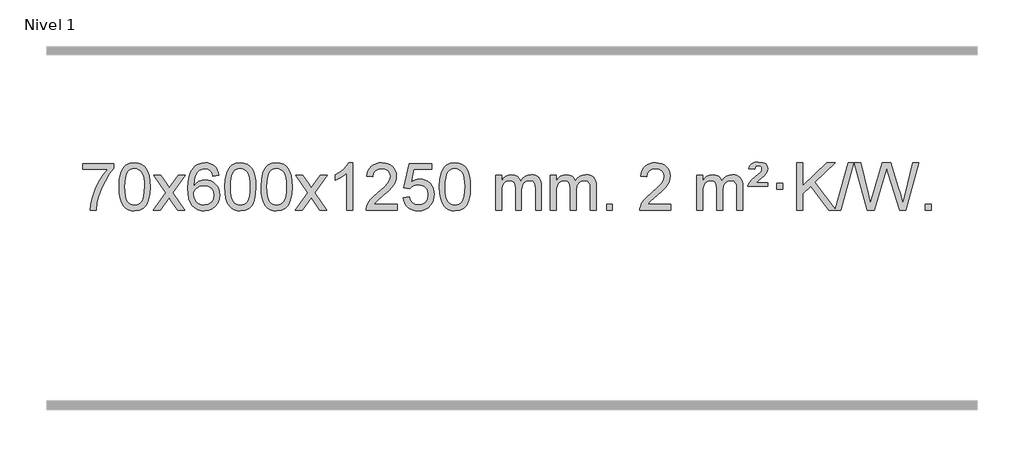
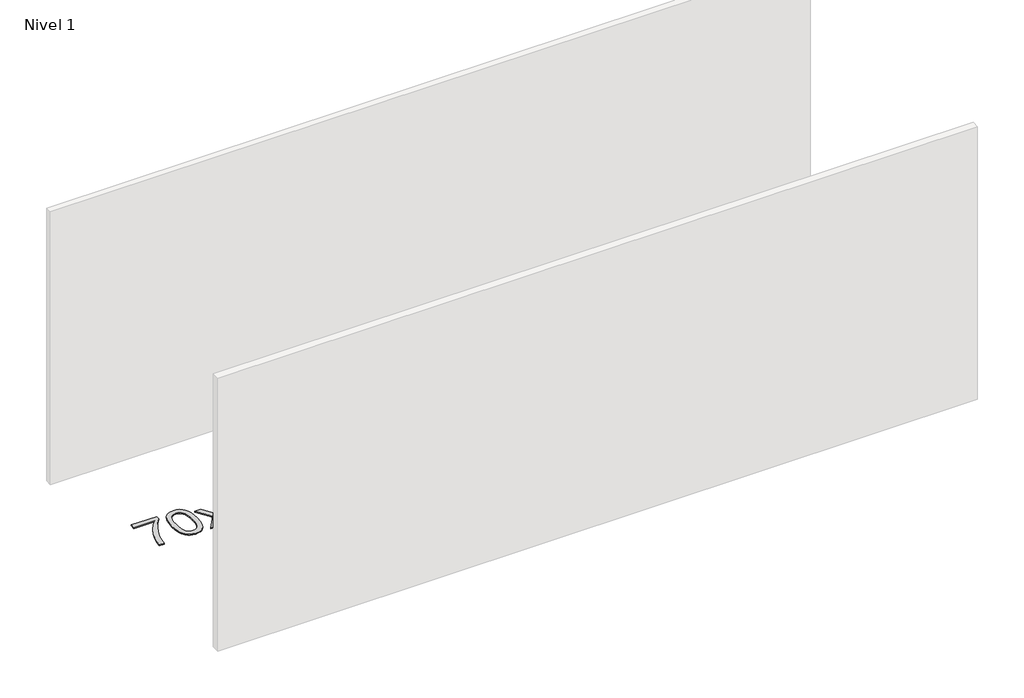
# One storey, part 9 of 12: 1 proxy.
"""IFC4 building model written with IfcOpenShell, lengths in millimetres."""

from ifc_helpers import new_model, si_unit, origin, origin_with_axes, place, context, project, spatial, polyline, outline, extrude, element, save

model = new_model("IFC4")

# Units and contexts
model_context = context("Model", 3, world=origin())
ifc_project = project(units=[si_unit("LENGTHUNIT", "METRE", prefix="MILLI")], contexts=[model_context])

# Site, building, storey
site = spatial("IfcSite", under=ifc_project)
building = spatial("IfcBuilding", under=site)
storey = spatial("IfcBuildingStorey", under=building, Name="Nivel 1", Elevation=0.0)

# Proxy
placement = place(None, origin())
element("IfcBuildingElementProxy", 1, Name="Texto de modelo 1", ObjectType="Texto de modelo 1", at=placement, inside=storey, context=model_context, shape_type="SweptSolid", body=[
    extrude(outline(polyline([(-6223.8644932, -6050.2608869), (-6223.8644932, -6000.0327318), (-5960.1666791, -6000.0327318), (-5960.1666791, -6040.646904), (-5997.7519563, -6088.214046), (-6034.9693515, -6148.7061088), (-6067.7966882, -6216.6048623), (-6092.2117899, -6286.3920768), (-6104.1802175, -6338.6067947), (-6110.8511443, -6395.579453), (-6161.0792994, -6395.579453), (-6155.6469086, -6343.8061935), (-6141.1155698, -6282.2717985), (-6117.8776904, -6217.0463207), (-6086.325678, -6154.1998132), (-6049.4884275, -6097.3865704), (-6010.3948342, -6050.2608869), (-6223.8644932, -6050.2608869)])), origin_with_axes(), (0.0, 0.0, 1.0), 10.0),
    extrude(outline(polyline([(-5916.2170434, -6197.9041943), (-5912.5259607, -6133.5861588), (-5901.4527127, -6082.2911459), (-5883.1076638, -6043.2343407), (-5871.2496009, -6028.0009605), (-5857.6011788, -6015.6309284), (-5842.1164125, -6006.0598651), (-5824.7493167, -5999.2233914), (-5784.3681363, -5993.7542124), (-5753.4169978, -5996.991574), (-5725.7032208, -6006.7036586), (-5702.5266551, -6022.5103217), (-5685.1871504, -6044.0314184), (-5672.0905514, -6071.0830078), (-5661.6427027, -6103.4811488), (-5654.8000976, -6144.6226186), (-5652.5192293, -6197.9041943), (-5656.1735238, -6261.8543477), (-5667.1364072, -6313.0267333), (-5685.3710914, -6352.1203266), (-5697.2015633, -6367.3996922), (-5710.8407882, -6379.8341036), (-5726.3439486, -6389.4695462), (-5743.7662268, -6396.3520052), (-5784.3681363, -6401.8579724), (-5812.0328624, -6399.4667394), (-5836.5583287, -6392.2930405), (-5857.9445354, -6380.3368757), (-5876.1914823, -6363.5982449), (-5893.7026653, -6333.3399508), (-5906.2106531, -6295.6381776), (-5913.7154458, -6250.4929255), (-5916.2170434, -6197.9041943)]), holes=[polyline([(-5865.9888883, -6197.8060924), (-5864.5173604, -6241.4706195), (-5860.1027764, -6276.8148822), (-5852.7451365, -6303.8388804), (-5842.4444406, -6322.5426142), (-5829.9855037, -6335.2682656), (-5816.1531407, -6344.3580165), (-5800.9473516, -6349.8118671), (-5784.3681363, -6351.6298173), (-5767.7889211, -6349.8057357), (-5752.583132, -6344.3334911), (-5738.7507689, -6335.2130833), (-5726.291832, -6322.4445124), (-5715.9911362, -6303.7101217), (-5708.6334963, -6276.6922549), (-5704.2189123, -6241.3909118), (-5702.7473843, -6197.8060924), (-5704.1698614, -6155.2973278), (-5708.4372925, -6120.5753989), (-5715.5496778, -6093.6403055), (-5725.5070171, -6074.4920476), (-5737.7574875, -6061.1440625), (-5751.7492661, -6051.6097875), (-5767.4823528, -6045.8892225), (-5784.9567475, -6043.9823675), (-5801.4501236, -6045.6623619), (-5816.3983954, -6050.7023452), (-5829.8015627, -6059.1023175), (-5841.6596257, -6070.8622786), (-5852.3036781, -6091.708925), (-5859.9065727, -6119.8151094), (-5864.4683094, -6155.1808319), (-5865.9888883, -6197.8060924)])]), origin_with_axes(), (0.0, 0.0, 1.0), 10.0),
    extrude(outline(polyline([(-5627.4051517, -6395.579453), (-5520.081711, -6247.2494325), (-5621.1266323, -6100.4890419), (-5560.6958833, -6100.4890419), (-5511.9392562, -6171.122385), (-5489.1796234, -6204.4770192), (-5469.4611485, -6177.2047007), (-5413.9354927, -6100.4890419), (-5353.5047436, -6100.4890419), (-5459.6509619, -6247.2494325), (-5357.4288182, -6395.579453), (-5417.8595673, -6395.579453), (-5479.3694369, -6306.4048574), (-5490.6511514, -6290.1199477), (-5566.9744027, -6395.579453), (-5627.4051517, -6395.579453)])), origin_with_axes(), (0.0, 0.0, 1.0), 10.0),
    extrude(outline(polyline([(-5068.6169265, -6100.4890419), (-5118.8450816, -6106.7675613), (-5126.9384855, -6081.874213), (-5137.8768435, -6064.8780648), (-5160.6610017, -6049.2062918), (-5188.2031004, -6043.9823675), (-5211.5513444, -6047.0235253), (-5233.5261622, -6056.1469988), (-5252.3985086, -6075.3627017), (-5267.8127642, -6101.8134171), (-5278.2238246, -6139.227016), (-5282.0865856, -6191.3313693), (-5261.938915, -6167.8237098), (-5237.7935934, -6151.2567573), (-5210.9995214, -6141.434308), (-5182.9055997, -6138.1601582), (-5158.7725408, -6140.398107), (-5136.5034174, -6147.1119534), (-5116.0982294, -6158.3016975), (-5097.5569768, -6173.9673391), (-5082.1488526, -6193.1769106), (-5071.1430496, -6214.9984443), (-5064.5395677, -6239.4319401), (-5062.3384071, -6266.4773982), (-5066.4832109, -6302.4439945), (-5078.9176224, -6335.786366), (-5098.6115719, -6364.0642287), (-5124.5349898, -6384.8372987), (-5155.5106538, -6397.602804), (-5190.3613415, -6401.8579724), (-5220.3038702, -6399.0375437), (-5247.3462625, -6390.5762579), (-5271.4885184, -6376.4741147), (-5292.730638, -6356.7311143), (-5310.0486829, -6330.5133908), (-5322.418715, -6296.9870783), (-5329.8407342, -6256.1521768), (-5332.3147407, -6208.0086864), (-5329.5678884, -6154.0342663), (-5321.3273317, -6107.9693092), (-5307.5930706, -6069.8138149), (-5288.365105, -6039.5677835), (-5267.5245899, -6019.5243462), (-5243.3608742, -6005.2076052), (-5215.8739578, -5996.6175606), (-5185.0638407, -5993.7542124), (-5161.9301946, -5995.5261773), (-5140.9915777, -6000.8420722), (-5122.2479901, -6009.7018969), (-5105.6994316, -6022.1056515), (-5091.7934922, -6037.6364031), (-5080.9777616, -6055.8772186), (-5073.2522397, -6076.8280983), (-5068.6169265, -6100.4890419)]), holes=[polyline([(-5282.0865856, -6265.6925832), (-5279.1803178, -6287.9494439), (-5270.4615145, -6309.2007605), (-5256.9234571, -6327.472233), (-5239.5594269, -6340.7895612), (-5218.602416, -6348.9197533), (-5194.2854161, -6351.6298173), (-5161.1392483, -6346.0134855), (-5147.2241118, -6338.9930708), (-5135.0809403, -6329.1644901), (-5125.2308999, -6316.9262824), (-5118.1951567, -6302.6769865), (-5112.5665622, -6268.1451299), (-5118.1215803, -6234.9989621), (-5125.065353, -6221.3781312), (-5134.7866347, -6209.725469), (-5146.9665944, -6200.3904634), (-5161.2864011, -6193.7226022), (-5196.3455552, -6188.3883133), (-5229.4426721, -6193.7226022), (-5257.1196608, -6209.725469), (-5268.0426904, -6221.2248471), (-5275.8448544, -6234.3858254), (-5280.5261528, -6249.2084042), (-5282.0865856, -6265.6925832)])]), origin_with_axes(), (0.0, 0.0, 1.0), 10.0),
    extrude(outline(polyline([(-5018.3887714, -6197.9041943), (-5014.6976888, -6133.5861588), (-5003.6244407, -6082.2911459), (-4985.2793919, -6043.2343407), (-4973.4213289, -6028.0009605), (-4959.7729069, -6015.6309284), (-4944.2881406, -6006.0598651), (-4926.9210447, -5999.2233914), (-4886.5398644, -5993.7542124), (-4855.5887258, -5996.991574), (-4827.8749489, -6006.7036586), (-4804.6983832, -6022.5103217), (-4787.3588785, -6044.0314184), (-4774.2622794, -6071.0830078), (-4763.8144308, -6103.4811488), (-4756.9718257, -6144.6226186), (-4754.6909573, -6197.9041943), (-4758.3452518, -6261.8543477), (-4769.3081352, -6313.0267333), (-4787.5428195, -6352.1203266), (-4799.3732913, -6367.3996922), (-4813.0125163, -6379.8341036), (-4828.5156767, -6389.4695462), (-4845.9379548, -6396.3520052), (-4886.5398644, -6401.8579724), (-4914.2045904, -6399.4667394), (-4938.7300568, -6392.2930405), (-4960.1162634, -6380.3368757), (-4978.3632104, -6363.5982449), (-4995.8743933, -6333.3399508), (-5008.3823812, -6295.6381776), (-5015.8871739, -6250.4929255), (-5018.3887714, -6197.9041943)]), holes=[polyline([(-4968.1606164, -6197.8060924), (-4966.6890884, -6241.4706195), (-4962.2745044, -6276.8148822), (-4954.9168645, -6303.8388804), (-4944.6161687, -6322.5426142), (-4932.1572318, -6335.2682656), (-4918.3248688, -6344.3580165), (-4903.1190796, -6349.8118671), (-4886.5398644, -6351.6298173), (-4869.9606491, -6349.8057357), (-4854.75486, -6344.3334911), (-4840.922497, -6335.2130833), (-4828.4635601, -6322.4445124), (-4818.1628642, -6303.7101217), (-4810.8052243, -6276.6922549), (-4806.3906404, -6241.3909118), (-4804.9191124, -6197.8060924), (-4806.3415894, -6155.2973278), (-4810.6090206, -6120.5753989), (-4817.7214058, -6093.6403055), (-4827.6787451, -6074.4920476), (-4839.9292156, -6061.1440625), (-4853.9209941, -6051.6097875), (-4869.6540808, -6045.8892225), (-4887.1284756, -6043.9823675), (-4903.6218517, -6045.6623619), (-4918.5701234, -6050.7023452), (-4931.9732908, -6059.1023175), (-4943.8313538, -6070.8622786), (-4954.4754062, -6091.708925), (-4962.0783007, -6119.8151094), (-4966.6400375, -6155.1808319), (-4968.1606164, -6197.8060924)])]), origin_with_axes(), (0.0, 0.0, 1.0), 10.0),
    extrude(outline(polyline([(-4710.7413216, -6197.9041943), (-4707.0502389, -6133.5861588), (-4695.9769909, -6082.2911459), (-4677.631942, -6043.2343407), (-4665.7738791, -6028.0009605), (-4652.125457, -6015.6309284), (-4636.6406907, -6006.0598651), (-4619.2735949, -5999.2233914), (-4578.8924145, -5993.7542124), (-4547.941276, -5996.991574), (-4520.227499, -6006.7036586), (-4497.0509333, -6022.5103217), (-4479.7114286, -6044.0314184), (-4466.6148296, -6071.0830078), (-4456.166981, -6103.4811488), (-4449.3243758, -6144.6226186), (-4447.0435075, -6197.9041943), (-4450.697802, -6261.8543477), (-4461.6606854, -6313.0267333), (-4479.8953696, -6352.1203266), (-4491.7258415, -6367.3996922), (-4505.3650664, -6379.8341036), (-4520.8682269, -6389.4695462), (-4538.290505, -6396.3520052), (-4578.8924145, -6401.8579724), (-4606.5571406, -6399.4667394), (-4631.0826069, -6392.2930405), (-4652.4688136, -6380.3368757), (-4670.7157605, -6363.5982449), (-4688.2269435, -6333.3399508), (-4700.7349313, -6295.6381776), (-4708.239724, -6250.4929255), (-4710.7413216, -6197.9041943)]), holes=[polyline([(-4660.5131665, -6197.8060924), (-4659.0416386, -6241.4706195), (-4654.6270546, -6276.8148822), (-4647.2694147, -6303.8388804), (-4636.9687188, -6322.5426142), (-4624.5097819, -6335.2682656), (-4610.6774189, -6344.3580165), (-4595.4716298, -6349.8118671), (-4578.8924145, -6351.6298173), (-4562.3131993, -6349.8057357), (-4547.1074102, -6344.3334911), (-4533.2750471, -6335.2130833), (-4520.8161102, -6322.4445124), (-4510.5154144, -6303.7101217), (-4503.1577745, -6276.6922549), (-4498.7431905, -6241.3909118), (-4497.2716625, -6197.8060924), (-4498.6941396, -6155.2973278), (-4502.9615707, -6120.5753989), (-4510.073956, -6093.6403055), (-4520.0312953, -6074.4920476), (-4532.2817658, -6061.1440625), (-4546.2735443, -6051.6097875), (-4562.006631, -6045.8892225), (-4579.4810257, -6043.9823675), (-4595.9744019, -6045.6623619), (-4610.9226736, -6050.7023452), (-4624.3258409, -6059.1023175), (-4636.1839039, -6070.8622786), (-4646.8279563, -6091.708925), (-4654.4308509, -6119.8151094), (-4658.9925876, -6155.1808319), (-4660.5131665, -6197.8060924)])]), origin_with_axes(), (0.0, 0.0, 1.0), 10.0),
    extrude(outline(polyline([(-4421.9294299, -6395.579453), (-4314.6059892, -6247.2494325), (-4415.6509105, -6100.4890419), (-4355.2201615, -6100.4890419), (-4306.4635344, -6171.122385), (-4283.7039016, -6204.4770192), (-4263.9854267, -6177.2047007), (-4208.4597709, -6100.4890419), (-4148.0290218, -6100.4890419), (-4254.1752401, -6247.2494325), (-4151.9530964, -6395.579453), (-4212.3838455, -6395.579453), (-4273.8937151, -6306.4048574), (-4285.1754296, -6290.1199477), (-4361.4986809, -6395.579453), (-4421.9294299, -6395.579453)])), origin_with_axes(), (0.0, 0.0, 1.0), 10.0),
    extrude(outline(polyline([(-3932.204918, -6395.579453), (-3982.433073, -6395.579453), (-3982.433073, -6082.4382987), (-4003.4023468, -6099.3976587), (-4030.0124777, -6116.3324932), (-4082.8893832, -6141.6918254), (-4082.8893832, -6094.2105225), (-4043.4401706, -6072.7507395), (-4009.2639332, -6047.219729), (-3982.3227084, -6020.0700378), (-3964.5785335, -5993.7542124), (-3932.204918, -5993.7542124), (-3932.204918, -6395.579453)])), origin_with_axes(), (0.0, 0.0, 1.0), 10.0),
    extrude(outline(polyline([(-3555.4937549, -6345.3512979), (-3555.4937549, -6395.579453), (-3819.191569, -6395.579453), (-3818.0879231, -6377.8965918), (-3813.7959664, -6360.9494945), (-3801.4106059, -6333.8856424), (-3783.2862863, -6307.6311307), (-3757.0685628, -6280.1503456), (-3720.4029906, -6249.4076736), (-3666.20171, -6201.2641831), (-3633.6809416, -6165.7267824), (-3617.4205574, -6136.884834), (-3612.0004294, -6108.8277005), (-3617.1139891, -6083.6768347), (-3632.4546683, -6062.7688747), (-3656.0359042, -6048.6789943), (-3685.871134, -6043.9823675), (-3717.2024172, -6048.5686297), (-3741.5439426, -6062.3274163), (-3757.2525038, -6084.1796068), (-3762.6848946, -6113.0460807), (-3812.9130497, -6106.7675613), (-3808.5935019, -6080.838012), (-3800.7361556, -6058.1826125), (-3789.3410108, -6038.8013627), (-3774.4080675, -6022.6942627), (-3756.2806822, -6010.0329907), (-3735.3022114, -6000.989225), (-3711.4726552, -5995.5629655), (-3684.7920135, -5993.7542124), (-3657.8722485, -5995.7653006), (-3633.9139335, -6001.7985654), (-3612.9170687, -6011.8540066), (-3594.8816538, -6025.9316242), (-3580.3963003, -6042.9890861), (-3570.0496192, -6061.9840598), (-3563.8416105, -6082.9165453), (-3561.7722743, -6105.7865427), (-3564.0040917, -6129.8092369), (-3570.699544, -6153.4149983), (-3582.5821325, -6177.4254299), (-3600.3753583, -6202.6621347), (-3628.7390601, -6232.7916701), (-3672.3330766, -6271.4805933), (-3730.1150753, -6319.795762), (-3752.7766062, -6345.3512979), (-3555.4937549, -6345.3512979)])), origin_with_axes(), (0.0, 0.0, 1.0), 10.0),
    extrude(outline(polyline([(-3505.2655998, -6288.8446235), (-3455.0374447, -6282.5661041), (-3445.8158694, -6312.7201649), (-3429.7271635, -6334.3148381), (-3406.8449034, -6347.3010725), (-3377.2426655, -6351.6298173), (-3358.1128017, -6350.1245668), (-3341.2392809, -6345.6088153), (-3326.622103, -6338.0825628), (-3314.2612679, -6327.5458094), (-3304.4326873, -6314.519721), (-3297.4122725, -6299.5254641), (-3291.7959408, -6263.6324441), (-3297.0566533, -6229.8363514), (-3303.6325439, -6215.9181493), (-3312.8387909, -6203.9865099), (-3324.7060509, -6194.4154467), (-3339.2649809, -6187.5789729), (-3376.4578506, -6182.1097939), (-3400.8239014, -6184.2925604), (-3420.5546391, -6190.8408599), (-3436.3122512, -6200.8717757), (-3448.7589254, -6213.5023908), (-3498.9870804, -6207.2238715), (-3455.0374447, -6000.0327318), (-3260.4033438, -6000.0327318), (-3260.4033438, -6050.2608869), (-3414.4232725, -6050.2608869), (-3435.907581, -6160.919791), (-3418.1818002, -6148.2155994), (-3400.0268237, -6139.1411769), (-3381.4426516, -6133.6965234), (-3362.4292838, -6131.8816388), (-3337.9681968, -6134.1318504), (-3315.499804, -6140.882485), (-3295.0241053, -6152.1335427), (-3276.5411007, -6167.8850234), (-3261.2402754, -6187.1743027), (-3250.3111144, -6209.038756), (-3243.7536179, -6233.4783832), (-3241.5677857, -6260.4931844), (-3243.5359543, -6286.5147042), (-3249.4404604, -6310.7213394), (-3259.2813037, -6333.1130902), (-3273.0584845, -6353.6899565), (-3293.9296563, -6374.7634634), (-3318.2834444, -6389.8159684), (-3346.1198487, -6398.8474714), (-3377.4388692, -6401.8579724), (-3403.3592215, -6399.9235262), (-3426.7718448, -6394.1201877), (-3447.6767392, -6384.447957), (-3466.0739046, -6370.9068338), (-3481.3808613, -6354.1712688), (-3493.0151294, -6334.915712), (-3500.9767089, -6313.1401636), (-3505.2655998, -6288.8446235)])), origin_with_axes(), (0.0, 0.0, 1.0), 10.0),
    extrude(outline(polyline([(-3197.61815, -6197.9041943), (-3193.9270673, -6133.5861588), (-3182.8538192, -6082.2911459), (-3164.5087704, -6043.2343407), (-3152.6507074, -6028.0009605), (-3139.0022854, -6015.6309284), (-3123.5175191, -6006.0598651), (-3106.1504233, -5999.2233914), (-3065.7692429, -5993.7542124), (-3034.8181044, -5996.991574), (-3007.1043274, -6006.7036586), (-2983.9277617, -6022.5103217), (-2966.588257, -6044.0314184), (-2953.491658, -6071.0830078), (-2943.0438093, -6103.4811488), (-2936.2012042, -6144.6226186), (-2933.9203358, -6197.9041943), (-2937.5746303, -6261.8543477), (-2948.5375138, -6313.0267333), (-2966.772198, -6352.1203266), (-2978.6026698, -6367.3996922), (-2992.2418948, -6379.8341036), (-3007.7450552, -6389.4695462), (-3025.1673334, -6396.3520052), (-3065.7692429, -6401.8579724), (-3093.433969, -6399.4667394), (-3117.9594353, -6392.2930405), (-3139.3456419, -6380.3368757), (-3157.5925889, -6363.5982449), (-3175.1037719, -6333.3399508), (-3187.6117597, -6295.6381776), (-3195.1165524, -6250.4929255), (-3197.61815, -6197.9041943)]), holes=[polyline([(-3147.3899949, -6197.8060924), (-3145.9184669, -6241.4706195), (-3141.503883, -6276.8148822), (-3134.1462431, -6303.8388804), (-3123.8455472, -6322.5426142), (-3111.3866103, -6335.2682656), (-3097.5542473, -6344.3580165), (-3082.3484582, -6349.8118671), (-3065.7692429, -6351.6298173), (-3049.1900277, -6349.8057357), (-3033.9842385, -6344.3334911), (-3020.1518755, -6335.2130833), (-3007.6929386, -6322.4445124), (-2997.3922427, -6303.7101217), (-2990.0346028, -6276.6922549), (-2985.6200189, -6241.3909118), (-2984.1484909, -6197.8060924), (-2985.570968, -6155.2973278), (-2989.8383991, -6120.5753989), (-2996.9507843, -6093.6403055), (-3006.9081237, -6074.4920476), (-3019.1585941, -6061.1440625), (-3033.1503727, -6051.6097875), (-3048.8834593, -6045.8892225), (-3066.3578541, -6043.9823675), (-3082.8512302, -6045.6623619), (-3097.799502, -6050.7023452), (-3111.2026693, -6059.1023175), (-3123.0607323, -6070.8622786), (-3133.7047847, -6091.708925), (-3141.3076793, -6119.8151094), (-3145.869416, -6155.1808319), (-3147.3899949, -6197.8060924)])]), origin_with_axes(), (0.0, 0.0, 1.0), 10.0),
    extrude(outline(polyline([(-2720.4506768, -6395.579453), (-2720.4506768, -6100.4890419), (-2670.2225217, -6100.4890419), (-2670.2225217, -6149.0494653), (-2655.1148344, -6126.7435537), (-2635.6906651, -6109.2691589), (-2612.6122013, -6097.9751816), (-2586.5416305, -6094.2105225), (-2558.6071244, -6098.048758), (-2536.2153736, -6109.5634645), (-2519.4890055, -6127.9943524), (-2508.5506476, -6152.5811324), (-2490.2423869, -6127.0439906), (-2469.3589523, -6108.803175), (-2445.9003438, -6097.8586857), (-2419.8665612, -6094.2105225), (-2399.7587445, -6095.7280358), (-2382.1096058, -6100.2805755), (-2366.9191451, -6107.8681416), (-2354.1873624, -6118.4907342), (-2344.1227241, -6132.2709806), (-2336.9336968, -6149.3315082), (-2332.6202804, -6169.6723168), (-2331.1824749, -6193.2934066), (-2331.1824749, -6395.579453), (-2381.41063, -6395.579453), (-2381.41063, -6214.875817), (-2382.5755897, -6189.8230531), (-2386.0704686, -6172.9372695), (-2392.6187681, -6161.3735121), (-2402.9439895, -6152.2868268), (-2416.2245295, -6146.4007149), (-2431.6387851, -6144.4386776), (-2458.84979, -6149.4663982), (-2481.0330743, -6164.54956), (-2489.6384473, -6176.1194488), (-2495.7851423, -6190.7182326), (-2500.7024983, -6229.0024856), (-2500.7024983, -6395.579453), (-2550.9306534, -6395.579453), (-2550.9306534, -6209.2840106), (-2553.8369212, -6180.8835206), (-2562.5557244, -6160.6254854), (-2577.8964036, -6148.4853796), (-2600.6682991, -6144.4386776), (-2620.0188921, -6147.1364789), (-2637.8489061, -6155.2298828), (-2652.5641859, -6168.5226856), (-2662.5705762, -6186.8186835), (-2668.3095353, -6212.2025411), (-2670.2225217, -6246.7589232), (-2670.2225217, -6395.579453), (-2720.4506768, -6395.579453)])), origin_with_axes(), (0.0, 0.0, 1.0), 10.0),
    extrude(outline(polyline([(-2255.8402423, -6395.579453), (-2255.8402423, -6100.4890419), (-2205.6120873, -6100.4890419), (-2205.6120873, -6149.0494653), (-2190.5044, -6126.7435537), (-2171.0802306, -6109.2691589), (-2148.0017668, -6097.9751816), (-2121.9311961, -6094.2105225), (-2093.9966899, -6098.048758), (-2071.6049391, -6109.5634645), (-2054.8785711, -6127.9943524), (-2043.9402131, -6152.5811324), (-2025.6319525, -6127.0439906), (-2004.7485179, -6108.803175), (-1981.2899093, -6097.8586857), (-1955.2561268, -6094.2105225), (-1935.1483101, -6095.7280358), (-1917.4991714, -6100.2805755), (-1902.3087107, -6107.8681416), (-1889.5769279, -6118.4907342), (-1879.5122897, -6132.2709806), (-1872.3232624, -6149.3315082), (-1868.009846, -6169.6723168), (-1866.5720405, -6193.2934066), (-1866.5720405, -6395.579453), (-1916.8001956, -6395.579453), (-1916.8001956, -6214.875817), (-1917.9651552, -6189.8230531), (-1921.4600342, -6172.9372695), (-1928.0083337, -6161.3735121), (-1938.333555, -6152.2868268), (-1951.6140951, -6146.4007149), (-1967.0283507, -6144.4386776), (-1994.2393556, -6149.4663982), (-2016.4226399, -6164.54956), (-2025.0280129, -6176.1194488), (-2031.1747079, -6190.7182326), (-2036.0920639, -6229.0024856), (-2036.0920639, -6395.579453), (-2086.320219, -6395.579453), (-2086.320219, -6209.2840106), (-2089.2264867, -6180.8835206), (-2097.94529, -6160.6254854), (-2113.2859692, -6148.4853796), (-2136.0578647, -6144.4386776), (-2155.4084576, -6147.1364789), (-2173.2384717, -6155.2298828), (-2187.9537515, -6168.5226856), (-2197.9601418, -6186.8186835), (-2203.6991009, -6212.2025411), (-2205.6120873, -6246.7589232), (-2205.6120873, -6395.579453), (-2255.8402423, -6395.579453)])), origin_with_axes(), (0.0, 0.0, 1.0), 10.0),
    extrude(outline(polyline([(-1778.6727691, -6395.579453), (-1778.6727691, -6345.3512979), (-1728.444614, -6345.3512979), (-1728.444614, -6395.579453), (-1778.6727691, -6395.579453)])), origin_with_axes(), (0.0, 0.0, 1.0), 10.0),
    extrude(outline(polyline([(-1232.4415827, -6345.3512979), (-1232.4415827, -6395.579453), (-1496.1393968, -6395.579453), (-1495.0357508, -6377.8965918), (-1490.7437942, -6360.9494945), (-1478.3584337, -6333.8856424), (-1460.2341141, -6307.6311307), (-1434.0163906, -6280.1503456), (-1397.3508184, -6249.4076736), (-1343.1495378, -6201.2641831), (-1310.6287694, -6165.7267824), (-1294.3683852, -6136.884834), (-1288.9482571, -6108.8277005), (-1294.0618169, -6083.6768347), (-1309.4024961, -6062.7688747), (-1332.983732, -6048.6789943), (-1362.8189618, -6043.9823675), (-1394.150245, -6048.5686297), (-1418.4917704, -6062.3274163), (-1434.2003316, -6084.1796068), (-1439.6327224, -6113.0460807), (-1489.8608774, -6106.7675613), (-1485.5413297, -6080.838012), (-1477.6839834, -6058.1826125), (-1466.2888386, -6038.8013627), (-1451.3558953, -6022.6942627), (-1433.22851, -6010.0329907), (-1412.2500392, -6000.989225), (-1388.420483, -5995.5629655), (-1361.7398413, -5993.7542124), (-1334.8200763, -5995.7653006), (-1310.8617613, -6001.7985654), (-1289.8648964, -6011.8540066), (-1271.8294816, -6025.9316242), (-1257.3441281, -6042.9890861), (-1246.997447, -6061.9840598), (-1240.7894383, -6082.9165453), (-1238.7201021, -6105.7865427), (-1240.9519195, -6129.8092369), (-1247.6473718, -6153.4149983), (-1259.5299603, -6177.4254299), (-1277.3231861, -6202.6621347), (-1305.6868879, -6232.7916701), (-1349.2809044, -6271.4805933), (-1407.0629031, -6319.795762), (-1429.724434, -6345.3512979), (-1232.4415827, -6345.3512979)])), origin_with_axes(), (0.0, 0.0, 1.0), 10.0),
    extrude(outline(polyline([(-1012.6934042, -6395.579453), (-1012.6934042, -6100.4890419), (-962.4652492, -6100.4890419), (-962.4652492, -6149.0494653), (-947.3575619, -6126.7435537), (-927.9333925, -6109.2691589), (-904.8549287, -6097.9751816), (-878.784358, -6094.2105225), (-850.8498518, -6098.048758), (-828.458101, -6109.5634645), (-811.731733, -6127.9943524), (-800.793375, -6152.5811324), (-782.4851144, -6127.0439906), (-761.6016798, -6108.803175), (-738.1430712, -6097.8586857), (-712.1092887, -6094.2105225), (-692.001472, -6095.7280358), (-674.3523333, -6100.2805755), (-659.1618725, -6107.8681416), (-646.4300898, -6118.4907342), (-636.3654516, -6132.2709806), (-629.1764243, -6149.3315082), (-624.8630079, -6169.6723168), (-623.4252024, -6193.2934066), (-623.4252024, -6395.579453), (-673.6533575, -6395.579453), (-673.6533575, -6214.875817), (-674.8183171, -6189.8230531), (-678.3131961, -6172.9372695), (-684.8614956, -6161.3735121), (-695.1867169, -6152.2868268), (-708.467257, -6146.4007149), (-723.8815126, -6144.4386776), (-751.0925175, -6149.4663982), (-773.2758018, -6164.54956), (-781.8811748, -6176.1194488), (-788.0278698, -6190.7182326), (-792.9452258, -6229.0024856), (-792.9452258, -6395.579453), (-843.1733809, -6395.579453), (-843.1733809, -6209.2840106), (-846.0796486, -6180.8835206), (-854.7984519, -6160.6254854), (-870.1391311, -6148.4853796), (-892.9110266, -6144.4386776), (-912.2616195, -6147.1364789), (-930.0916336, -6155.2298828), (-944.8069134, -6168.5226856), (-954.8133037, -6186.8186835), (-960.5522628, -6212.2025411), (-962.4652492, -6246.7589232), (-962.4652492, -6395.579453), (-1012.6934042, -6395.579453)])), origin_with_axes(), (0.0, 0.0, 1.0), 10.0),
    extrude(outline(polyline([(-579.4755667, -6194.6668327), (-575.649594, -6178.8479069), (-567.3109354, -6162.9799302), (-545.8021014, -6137.8413272), (-513.8454188, -6110.1030247), (-469.6995793, -6072.726214), (-462.5626686, -6061.1992448), (-460.1836984, -6049.3779701), (-462.0721593, -6037.2869152), (-467.737542, -6027.5012541), (-477.1062702, -6021.026531), (-490.1047673, -6018.8682899), (-502.5391788, -6020.4869707), (-511.3928721, -6025.343013), (-517.8185443, -6034.8098431), (-522.9688923, -6050.2608869), (-573.1970473, -6043.9823675), (-562.3567912, -6018.7701881), (-545.728525, -6001.2099542), (-521.9633481, -5990.9092583), (-489.7123599, -5987.475693), (-453.9297045, -5991.6082341), (-429.1835089, -6004.0058573), (-414.7625347, -6022.3386434), (-409.9555433, -6044.2766731), (-414.0512962, -6067.1834586), (-426.3385549, -6088.8149199), (-446.8663702, -6108.6314968), (-483.3357386, -6136.6886303), (-508.9403255, -6163.2742358), (-409.9555433, -6163.2742358), (-409.9555433, -6194.6668327), (-579.4755667, -6194.6668327)])), origin_with_axes(), (0.0, 0.0, 1.0), 10.0),
    extrude(outline(polyline([(-334.6133107, -6219.7809102), (-334.6133107, -6169.5527552), (-284.3851556, -6169.5527552), (-284.3851556, -6219.7809102), (-334.6133107, -6219.7809102)])), origin_with_axes(), (0.0, 0.0, 1.0), 10.0),
    extrude(outline(polyline([(106.2564723, -6395.579453), (-47.1748452, -6192.9009991), (-114.8651323, -6257.4520265), (-114.8651323, -6395.579453), (-165.0932873, -6395.579453), (-165.0932873, -5993.7542124), (-114.8651323, -5993.7542124), (-114.8651323, -6190.4484525), (91.148785, -5993.7542124), (161.3897206, -5993.7542124), (-11.563868, -6158.9577537), (163.0897418, -6389.5349332), (274.4030696, -5993.7542124), (319.7261314, -5993.7542124), (206.7127824, -6395.579453), (167.66824, -6395.579453), (161.3897206, -6395.579453), (106.2564723, -6395.579453)])), origin_with_axes(), (0.0, 0.0, 1.0), 10.0),
    extrude(outline(polyline([(434.2110083, -6395.579453), (324.6312246, -5993.7542124), (376.4290096, -5993.7542124), (439.9990183, -6257.844434), (459.6193914, -6339.3670841), (480.6131906, -6267.2622131), (560.2719053, -5993.7542124), (634.9274248, -5993.7542124), (692.8075254, -6192.0180823), (717.6027719, -6265.5944814), (735.8742443, -6339.3670841), (754.9060062, -6260.1988788), (819.0646262, -5993.7542124), (870.8624111, -5993.7542124), (761.1845256, -6395.579453), (707.5228052, -6395.579453), (611.1867734, -6085.5775584), (597.7468179, -6042.3146358), (582.6391306, -6094.4067263), (494.8379611, -6395.579453), (434.2110083, -6395.579453)])), origin_with_axes(), (0.0, 0.0, 1.0), 10.0),
    extrude(outline(polyline([(927.3690855, -6395.579453), (927.3690855, -6345.3512979), (977.5972406, -6345.3512979), (977.5972406, -6395.579453), (927.3690855, -6395.579453)])), origin_with_axes(), (0.0, 0.0, 1.0), 10.0),
])

save(model, "model.ifc")
